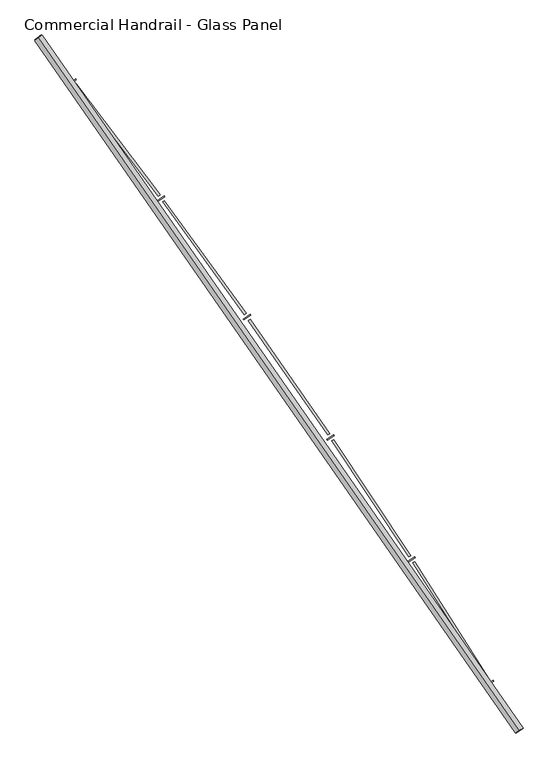
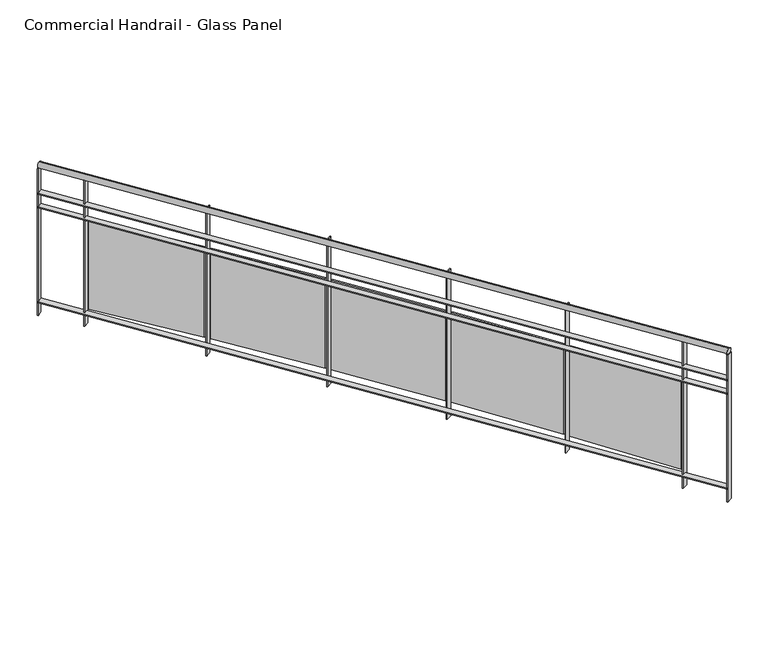
"""IFC4 building model written with IfcOpenShell, lengths in millimetres: railing geometry, Commercial Handrail - Glass Panel."""

from ifc_helpers import new_model, si_unit, point, frame, origin, place, context, project, spatial, polyline, circle_curve, ellipse_curve, trimmed, outline, extrude, source, transform, mapped, element, save
from ifc_brep_helpers import plane_surface, cylinder_surface, revolved_surface, advanced_brep


def commercial_handrail_glass_panel_eb85f853(model_context):
    return source(origin(), model_context, "Body", "SolidModel", [
        advanced_brep(
        [(174947.1226561, -30258.7265853, 12882.5), (172321.2493354, -26475.2644148, 12882.5), (172321.2493354, -26475.2644148, 12917.5), (174947.1226561, -30258.7265853, 12917.5)],
        [
            (0, 1, circle_curve(frame((141591.4318743, -50605.9420988, 12882.5), z_axis=(0.0, 0.0, 1.0), x_axis=(0.7864946016239663, 0.6175971515610791, 0.0)), 39071.873345)),
            (1, 2, ellipse_curve(frame((172321.2493354, -26475.2644148, 12900.0), z_axis=(0.6175971515610744, -0.78649460162397, 0.0), x_axis=(-0.78649460162397, -0.6175971515610744, 0.0)), 25.0, 17.5)),
            (2, 3, circle_curve(frame((141591.4318743, -50605.9420988, 12917.5), z_axis=(0.0, 0.0, -1.0), x_axis=(0.7864946016239663, 0.6175971515610791, 0.0)), 39071.873345)),
            (3, 0, ellipse_curve(frame((174947.1226561, -30258.7265853, 12900.0), z_axis=(-0.5207637559080609, 0.8537008319853798, 0.0), x_axis=(-0.8537008319853798, -0.5207637559080609, 0.0)), 25.0, 17.5)),
            (2, 1, ellipse_curve(frame((172321.2493354, -26475.2644148, 12900.0), z_axis=(0.6175971515610744, -0.78649460162397, 0.0), x_axis=(-0.78649460162397, -0.6175971515610744, 0.0)), 25.0, 17.5)),
            (0, 3, ellipse_curve(frame((174947.1226561, -30258.7265853, 12900.0), z_axis=(-0.5207637559080609, 0.8537008319853798, 0.0), x_axis=(-0.8537008319853798, -0.5207637559080609, 0.0)), 25.0, 17.5)),
        ],
        [
            revolved_surface(trimmed(ellipse_curve(frame((172321.2493354, -26475.2644148, 12900.0), z_axis=(-0.6175971515610791, 0.7864946016239663, 0.0), x_axis=(0.0, 0.0, -1.0)), 17.5, 25.0), [point((172321.2493354, -26475.2644148, 12917.5))], [point((172321.2493354, -26475.2644148, 12882.5))], True, "CARTESIAN"), (141591.4318743, -50605.9420988, 12900.0), (0.0, 0.0, -1.0)),
            revolved_surface(trimmed(ellipse_curve(frame((172321.2493354, -26475.2644148, 12900.0), z_axis=(-0.6175971515610791, 0.7864946016239663, 0.0), x_axis=(0.0, 0.0, -1.0)), 17.5, 25.0), [point((172321.2493354, -26475.2644148, 12882.5))], [point((172321.2493354, -26475.2644148, 12917.5))], True, "CARTESIAN"), (141591.4318743, -50605.9420988, 12900.0), (0.0, 0.0, -1.0)),
            plane_surface(frame((172321.2493354, -26475.2644148, 12900.0), z_axis=(-0.6175971515610791, 0.7864946016239663, 0.0), x_axis=(0.7864946016239663, 0.6175971515610791, 0.0))),
            plane_surface(frame((174947.1226561, -30258.7265853, 12900.0), z_axis=(0.5207637559080605, -0.85370083198538, 0.0), x_axis=(0.85370083198538, 0.5207637559080605, 0.0))),
        ],
        [
            (0, [[1, 2, 3, 4]]),
            (1, [[-3, 5, -1, 6]]),
            (2, [[-2, -5]]),
            (3, [[-6, -4]]),
        ],
    ),
        advanced_brep(
        [(174966.3309248, -30247.0094008, 12700.0), (172338.945464, -26461.3684789, 12700.0), (172303.5532069, -26489.1603507, 12700.0), (174927.9143874, -30270.4437698, 12700.0), (174966.3309248, -30247.0094008, 12694.0), (172338.945464, -26461.3684789, 12694.0), (174927.9143874, -30270.4437698, 12694.0), (172303.5532069, -26489.1603507, 12694.0)],
        [
            (0, 1, circle_curve(frame((141591.4318743, -50605.9420988, 12700.0), z_axis=(0.0, 0.0, 1.0), x_axis=(0.7864946016239663, 0.6175971515610791, 0.0)), 39094.373345)),
            (1, 2),
            (2, 3, circle_curve(frame((141591.4318743, -50605.9420988, 12700.0), z_axis=(0.0, 0.0, -1.0), x_axis=(0.7864946016239663, 0.6175971515610791, 0.0)), 39049.373345)),
            (3, 0),
            (4, 5, circle_curve(frame((141591.4318743, -50605.9420988, 12694.0), z_axis=(0.0, 0.0, 1.0), x_axis=(0.7864946016239663, 0.6175971515610791, 0.0)), 39094.373345)),
            (5, 1),
            (0, 4),
            (6, 7, circle_curve(frame((141591.4318743, -50605.9420988, 12694.0), z_axis=(0.0, 0.0, 1.0), x_axis=(0.7864946016239663, 0.6175971515610791, 0.0)), 39049.373345)),
            (7, 5),
            (4, 6),
            (2, 7),
            (6, 3),
        ],
        [
            plane_surface(frame((141591.4318743, -50605.9420988, 12700.0), z_axis=(0.0, 0.0, 1.0), x_axis=(0.7864946016239663, 0.6175971515610791, 0.0))),
            cylinder_surface(frame((141591.4318743, -50605.9420988, 12700.0), z_axis=(0.0, 0.0, -1.0), x_axis=(0.7864946016239663, 0.6175971515610791, 0.0)), 39094.373345),
            plane_surface(frame((141591.4318743, -50605.9420988, 12694.0), z_axis=(0.0, 0.0, -1.0), x_axis=(0.7864946016239663, 0.6175971515610791, 0.0))),
            revolved_surface(polyline([(172303.55320694132, -26489.160350682872, 12694.0), (172303.55320694132, -26489.160350682872, 12700.0)]), (141591.4318743, -50605.9420988, 12700.0), (0.0, 0.0, -1.0)),
            plane_surface(frame((172321.2493354, -26475.2644148, 12700.0), z_axis=(-0.6175971515610791, 0.7864946016239663, 0.0), x_axis=(0.7864946016239663, 0.6175971515610791, 0.0))),
            plane_surface(frame((174947.1226561, -30258.7265853, 12700.0), z_axis=(0.5207637559080605, -0.85370083198538, 0.0), x_axis=(0.85370083198538, 0.5207637559080605, 0.0))),
        ],
        [
            (0, [[1, 2, 3, 4]]),
            (1, [[5, 6, -1, 7]]),
            (2, [[8, 9, -5, 10]]),
            (3, [[-3, 11, -8, 12]]),
            (4, [[-2, -6, -9, -11]]),
            (5, [[-12, -10, -7, -4]]),
        ],
    ),
        advanced_brep(
        [(174966.3309248, -30247.0094008, 12600.0), (172338.945464, -26461.3684789, 12600.0), (172303.5532069, -26489.1603507, 12600.0), (174927.9143874, -30270.4437698, 12600.0), (174966.3309248, -30247.0094008, 12594.0), (172338.945464, -26461.3684789, 12594.0), (174927.9143874, -30270.4437698, 12594.0), (172303.5532069, -26489.1603507, 12594.0)],
        [
            (0, 1, circle_curve(frame((141591.4318743, -50605.9420988, 12600.0), z_axis=(0.0, 0.0, 1.0), x_axis=(0.7864946016239663, 0.6175971515610791, 0.0)), 39094.373345)),
            (1, 2),
            (2, 3, circle_curve(frame((141591.4318743, -50605.9420988, 12600.0), z_axis=(0.0, 0.0, -1.0), x_axis=(0.7864946016239663, 0.6175971515610791, 0.0)), 39049.373345)),
            (3, 0),
            (4, 5, circle_curve(frame((141591.4318743, -50605.9420988, 12594.0), z_axis=(0.0, 0.0, 1.0), x_axis=(0.7864946016239663, 0.6175971515610791, 0.0)), 39094.373345)),
            (5, 1),
            (0, 4),
            (6, 7, circle_curve(frame((141591.4318743, -50605.9420988, 12594.0), z_axis=(0.0, 0.0, 1.0), x_axis=(0.7864946016239663, 0.6175971515610791, 0.0)), 39049.373345)),
            (7, 5),
            (4, 6),
            (2, 7),
            (6, 3),
        ],
        [
            plane_surface(frame((141591.4318743, -50605.9420988, 12600.0), z_axis=(0.0, 0.0, 1.0), x_axis=(0.7864946016239663, 0.6175971515610791, 0.0))),
            cylinder_surface(frame((141591.4318743, -50605.9420988, 12600.0), z_axis=(0.0, 0.0, -1.0), x_axis=(0.7864946016239663, 0.6175971515610791, 0.0)), 39094.373345),
            plane_surface(frame((141591.4318743, -50605.9420988, 12594.0), z_axis=(0.0, 0.0, -1.0), x_axis=(0.7864946016239663, 0.6175971515610791, 0.0))),
            revolved_surface(polyline([(172303.55320694132, -26489.160350682872, 12594.0), (172303.55320694132, -26489.160350682872, 12600.0)]), (141591.4318743, -50605.9420988, 12600.0), (0.0, 0.0, -1.0)),
            plane_surface(frame((172321.2493354, -26475.2644148, 12600.0), z_axis=(-0.6175971515610791, 0.7864946016239663, 0.0), x_axis=(0.7864946016239663, 0.6175971515610791, 0.0))),
            plane_surface(frame((174947.1226561, -30258.7265853, 12600.0), z_axis=(0.5207637559080605, -0.85370083198538, 0.0), x_axis=(0.85370083198538, 0.5207637559080605, 0.0))),
        ],
        [
            (0, [[1, 2, 3, 4]]),
            (1, [[5, 6, -1, 7]]),
            (2, [[8, 9, -5, 10]]),
            (3, [[-3, 11, -8, 12]]),
            (4, [[-2, -6, -9, -11]]),
            (5, [[-12, -10, -7, -4]]),
        ],
    ),
        advanced_brep(
        [(174966.3309248, -30247.0094008, 11900.0), (172338.945464, -26461.3684789, 11900.0), (172303.5532069, -26489.1603507, 11900.0), (174927.9143874, -30270.4437698, 11900.0), (174966.3309248, -30247.0094008, 11894.0), (172338.945464, -26461.3684789, 11894.0), (174927.9143874, -30270.4437698, 11894.0), (172303.5532069, -26489.1603507, 11894.0)],
        [
            (0, 1, circle_curve(frame((141591.4318743, -50605.9420988, 11900.0), z_axis=(0.0, 0.0, 1.0), x_axis=(0.7864946016239663, 0.6175971515610791, 0.0)), 39094.373345)),
            (1, 2),
            (2, 3, circle_curve(frame((141591.4318743, -50605.9420988, 11900.0), z_axis=(0.0, 0.0, -1.0), x_axis=(0.7864946016239663, 0.6175971515610791, 0.0)), 39049.373345)),
            (3, 0),
            (4, 5, circle_curve(frame((141591.4318743, -50605.9420988, 11894.0), z_axis=(0.0, 0.0, 1.0), x_axis=(0.7864946016239663, 0.6175971515610791, 0.0)), 39094.373345)),
            (5, 1),
            (0, 4),
            (6, 7, circle_curve(frame((141591.4318743, -50605.9420988, 11894.0), z_axis=(0.0, 0.0, 1.0), x_axis=(0.7864946016239663, 0.6175971515610791, 0.0)), 39049.373345)),
            (7, 5),
            (4, 6),
            (2, 7),
            (6, 3),
        ],
        [
            plane_surface(frame((141591.4318743, -50605.9420988, 11900.0), z_axis=(0.0, 0.0, 1.0), x_axis=(0.7864946016239663, 0.6175971515610791, 0.0))),
            cylinder_surface(frame((141591.4318743, -50605.9420988, 11900.0), z_axis=(0.0, 0.0, -1.0), x_axis=(0.7864946016239663, 0.6175971515610791, 0.0)), 39094.373345),
            plane_surface(frame((141591.4318743, -50605.9420988, 11894.0), z_axis=(0.0, 0.0, -1.0), x_axis=(0.7864946016239663, 0.6175971515610791, 0.0))),
            revolved_surface(polyline([(172303.55320694132, -26489.160350682872, 11894.0), (172303.55320694132, -26489.160350682872, 11900.0)]), (141591.4318743, -50605.9420988, 11900.0), (0.0, 0.0, -1.0)),
            plane_surface(frame((172321.2493354, -26475.2644148, 11900.0), z_axis=(-0.6175971515610791, 0.7864946016239663, 0.0), x_axis=(0.7864946016239663, 0.6175971515610791, 0.0))),
            plane_surface(frame((174947.1226561, -30258.7265853, 11900.0), z_axis=(0.5207637559080605, -0.85370083198538, 0.0), x_axis=(0.85370083198538, 0.5207637559080605, 0.0))),
        ],
        [
            (0, [[1, 2, 3, 4]]),
            (1, [[5, 6, -1, 7]]),
            (2, [[8, 9, -5, 10]]),
            (3, [[-3, 11, -8, 12]]),
            (4, [[-2, -6, -9, -11]]),
            (5, [[-12, -10, -7, -4]]),
        ],
    ),
        extrude(outline(polyline([(174767.0827529, -30009.1035934), (174805.3157733, -29985.3709966), (174808.4801195, -29990.4687326), (174770.2470991, -30014.2013295), (174767.0827529, -30009.1035934)])), frame((0.0, 0.0, 11800.0), z_axis=(0.0, 0.0, 1.0), x_axis=(1.0, 0.0, 0.0)), (0.0, 0.0, 1.0), 1082.1192282),
        extrude(outline(polyline([(174376.4508905, -29337.0184477), (174783.8574789, -29978.5945319), (174773.7273302, -29985.0272675), (174366.3207418, -29343.4511834), (174376.4508905, -29337.0184477)])), frame((0.0, 0.0, 11920.0), z_axis=(0.0, 0.0, 1.0), x_axis=(1.0, 0.0, 0.0)), (0.0, 0.0, 1.0), 660.0),
        extrude(outline(polyline([(174338.4363039, -29334.1939685), (174376.1754174, -29309.6835764), (174379.4434696, -29314.7154582), (174341.7043562, -29339.2258503), (174338.4363039, -29334.1939685)])), frame((0.0, 0.0, 11800.0), z_axis=(0.0, 0.0, 1.0), x_axis=(1.0, 0.0, 0.0)), (0.0, 0.0, 1.0), 1082.1192282),
        extrude(outline(polyline([(173934.1262806, -28670.2473592), (174354.5828818, -29303.3478619), (174344.5865581, -29309.9866503), (173924.1299568, -28676.8861476), (173934.1262806, -28670.2473592)])), frame((0.0, 0.0, 11920.0), z_axis=(0.0, 0.0, 1.0), x_axis=(1.0, 0.0, 0.0)), (0.0, 0.0, 1.0), 660.0),
        extrude(outline(polyline([(173896.0618347, -28668.2017695), (173933.2912204, -28642.9238574), (173936.6616087, -28647.8877755), (173899.432223, -28673.1656876), (173896.0618347, -28668.2017695)])), frame((0.0, 0.0, 11800.0), z_axis=(0.0, 0.0, 1.0), x_axis=(1.0, 0.0, 0.0)), (0.0, 0.0, 1.0), 1082.1192282),
        extrude(outline(polyline([(173478.243143, -28012.6720327), (173911.5734956, -28637.031549), (173901.7151874, -28643.8736072), (173468.3848349, -28019.5140909), (173478.243143, -28012.6720327)])), frame((0.0, 0.0, 11920.0), z_axis=(0.0, 0.0, 1.0), x_axis=(1.0, 0.0, 0.0)), (0.0, 0.0, 1.0), 660.0),
        extrude(outline(polyline([(173440.1447951, -28011.4061902), (173476.848846, -27985.3713549), (173480.3201573, -27990.2652284), (173443.6161065, -28016.3000637), (173440.1447951, -28011.4061902)])), frame((0.0, 0.0, 11800.0), z_axis=(0.0, 0.0, 1.0), x_axis=(1.0, 0.0, 0.0)), (0.0, 0.0, 1.0), 1082.1192282),
        extrude(outline(polyline([(173008.9925907, -27364.5681335), (173455.0150362, -27979.9249228), (173445.2988764, -27986.9673824), (172999.2764309, -27371.6105932), (173008.9925907, -27364.5681335)])), frame((0.0, 0.0, 11920.0), z_axis=(0.0, 0.0, 1.0), x_axis=(1.0, 0.0, 0.0)), (0.0, 0.0, 1.0), 660.0),
        extrude(outline(polyline([(172970.876312, -27364.0825688), (173007.0396412, -27337.3017244), (173010.6104205, -27342.1235017), (172974.4470913, -27368.904346), (172970.876312, -27364.0825688)])), frame((0.0, 0.0, 11800.0), z_axis=(0.0, 0.0, 1.0), x_axis=(1.0, 0.0, 0.0)), (0.0, 0.0, 1.0), 1082.1192282),
        extrude(outline(polyline([(172526.5713403, -26726.207356), (172985.0988996, -27332.3034518), (172975.5289613, -27339.5433607), (172517.0014019, -26733.4472649), (172526.5713403, -26726.207356)])), frame((0.0, 0.0, 11920.0), z_axis=(0.0, 0.0, 1.0), x_axis=(1.0, 0.0, 0.0)), (0.0, 0.0, 1.0), 660.0),
        extrude(outline(polyline([(172488.4531098, -26726.5022727), (172524.0605571, -26698.9866462), (172527.7293072, -26703.7343059), (172492.12186, -26731.2499323), (172488.4531098, -26726.5022727)])), frame((0.0, 0.0, 11800.0), z_axis=(0.0, 0.0, 1.0), x_axis=(1.0, 0.0, 0.0)), (0.0, 0.0, 1.0), 1082.1192282),
        extrude(outline(polyline([(174926.3520961, -30267.8826673), (174964.7686336, -30244.4482983), (174967.8932161, -30249.5705033), (174929.4766787, -30273.0048723), (174926.3520961, -30267.8826673)])), frame((0.0, 0.0, 11800.0), z_axis=(0.0, 0.0, 1.0), x_axis=(1.0, 0.0, 0.0)), (0.0, 0.0, 1.0), 1082.1192282),
        extrude(outline(polyline([(172301.7004154, -26486.8008669), (172337.0926725, -26459.0089951), (172340.7982554, -26463.7279627), (172305.4059984, -26491.5198345), (172301.7004154, -26486.8008669)])), frame((0.0, 0.0, 11800.0), z_axis=(0.0, 0.0, 1.0), x_axis=(1.0, 0.0, 0.0)), (0.0, 0.0, 1.0), 1082.1192282),
    ])


if __name__ == "__main__":
    model = new_model("IFC4")
    model_context = context("Model", 3, world=origin())
    ifc_project = project(units=[si_unit("LENGTHUNIT", "METRE", prefix="MILLI")], contexts=[model_context])
    site = spatial("IfcSite", under=ifc_project)
    building = spatial("IfcBuilding", under=site)
    placement = place(None, origin())
    commercial_handrail_glass_panel_shape = commercial_handrail_glass_panel_eb85f853(model_context)
    element("IfcRailing", 1, ObjectType="Commercial Handrail - Glass Panel", at=placement, inside=building, context=model_context, shape_type="MappedRepresentation", body=[
        mapped(commercial_handrail_glass_panel_shape, transform((0.0, 0.0, 0.0), x_axis=(1.0, 0.0, 0.0), y_axis=(0.0, 1.0, 0.0), z_axis=(0.0, 0.0, 1.0))),
    ])
    save(model, "model.ifc")
